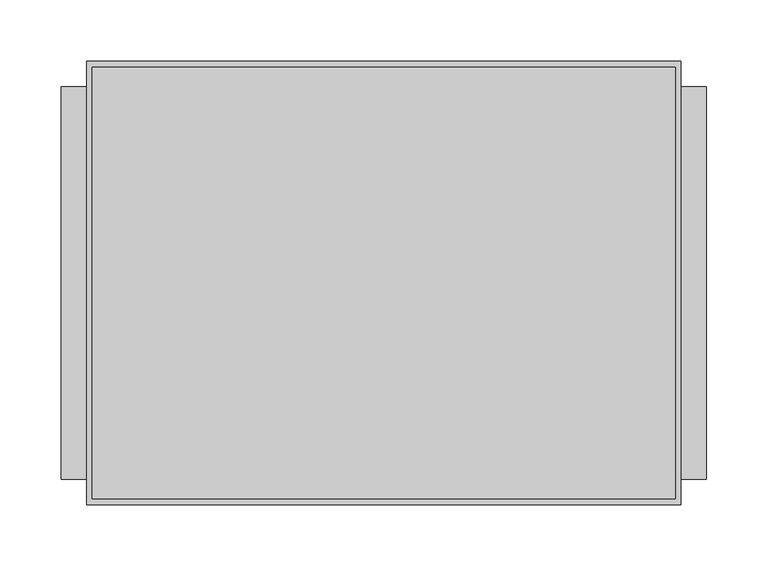
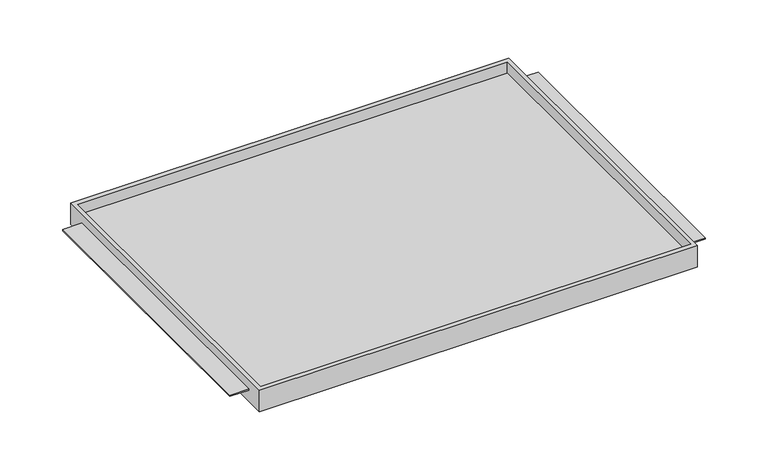
"""IFC4 building model written with IfcOpenShell, lengths in millimetres: furniture geometry."""

from ifc_helpers import new_model, si_unit, origin, place, context, project, spatial, faceted_brep, source, transform, mapped, element, save


def furniture_171ccec7(model_context):
    return source(origin(), model_context, "Body", "Brep", [
        faceted_brep([(-242.7689646, -180.975, 1177.2519), (242.7689646, -180.975, 1177.2519), (242.7689646, -180.975, 1202.6519), (-242.7689646, -180.975, 1202.6519), (-242.7689646, 180.975, 1177.2519), (-242.7689646, 180.975, 1202.6519), (242.7689646, 180.975, 1202.6519), (242.7689646, 180.975, 1177.2519), (242.7689646, -160.3374879, 1191.5521), (242.7689646, 160.3374879, 1191.5521), (242.7689646, 160.3374879, 1189.9519), (242.7689646, -160.3374879, 1189.9519), (238.125, -176.2125, 1202.6519), (-238.125, -176.2125, 1202.6519), (-238.125, 175.91278, 1202.6519), (238.125, 175.91278, 1202.6519), (-242.7689646, 160.3374879, 1191.5521), (-242.7689646, -160.3374879, 1191.5521), (-242.7689646, -160.3374879, 1189.9519), (-242.7689646, 160.3374879, 1189.9519), (-238.125, -176.2125, 1189.9519), (238.125, -176.2125, 1189.9519), (238.125, 175.91278, 1189.9519), (-238.125, 175.91278, 1189.9519), (-263.525, 160.3374879, 1191.5521), (-263.525, -160.3374879, 1191.5521), (263.525, -160.3374879, 1191.5521), (263.525, 160.3374879, 1191.5521), (-263.525, -160.3374879, 1189.9519), (-263.525, 160.3374879, 1189.9519), (263.525, -160.3374879, 1189.9519), (263.525, 160.3374879, 1189.9519)], [[[0, 1, 2, 3]], [[4, 5, 6, 7]], [[1, 0, 4, 7]], [[2, 1, 7, 6], [8, 9, 10, 11]], [[3, 2, 6, 5], [12, 13, 14, 15]], [[0, 3, 5, 4], [16, 17, 18, 19]], [[20, 21, 22, 23]], [[21, 20, 13, 12]], [[22, 21, 12, 15]], [[23, 22, 15, 14]], [[20, 23, 14, 13]], [[16, 24, 25, 17]], [[26, 27, 9, 8]], [[18, 28, 29, 19]], [[30, 11, 10, 31]], [[24, 16, 19, 29]], [[25, 24, 29, 28]], [[17, 25, 28, 18]], [[27, 26, 30, 31]], [[9, 27, 31, 10]], [[26, 8, 11, 30]]]),
    ])


if __name__ == "__main__":
    model = new_model("IFC4")
    model_context = context("Model", 3, world=origin())
    ifc_project = project(units=[si_unit("LENGTHUNIT", "METRE", prefix="MILLI")], contexts=[model_context])
    site = spatial("IfcSite", under=ifc_project)
    building = spatial("IfcBuilding", under=site)
    placement = place(None, origin())
    furniture_shape = furniture_171ccec7(model_context)
    element("IfcFurniture", 1, at=placement, inside=building, context=model_context, shape_type="MappedRepresentation", body=[
        mapped(furniture_shape, transform((0.0, 0.0, 0.0), x_axis=(1.0, 0.0, 0.0), y_axis=(0.0, 1.0, 0.0), z_axis=(0.0, 0.0, 1.0))),
    ])
    save(model, "model.ifc")
